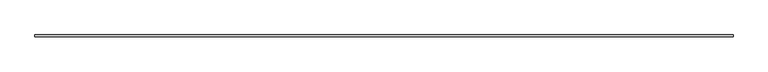
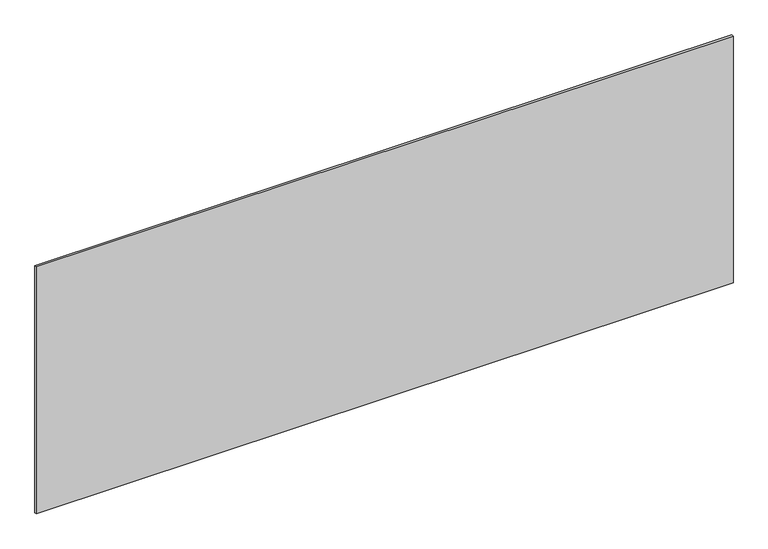
"""IFC4 building model written with IfcOpenShell, lengths in millimetres: plate geometry."""

import ifcopenshell
import ifcopenshell.guid

model = None  # the IFC model being written
_history = None  # IfcOwnerHistory: only IFC2X3 demands one
_inside = {}  # id of a spatial element -> (the spatial element, [elements in it])
_under = {}  # id of a project, library or spatial element -> (it, [spatial elements below it])
_declared = {}  # id of a project -> (the project, [libraries it declares])
_typed = {}  # id of a type object -> (the type object, [elements of that type])
_made_of = {}  # id of a material, layer set ... -> (it, [elements and type objects made of it])


def new_model(schema):
    """Start an empty IFC model of exactly this schema.

    Asked for "IFC4X3", IfcOpenShell would pick the latest addendum, in which some entities
    have other attributes; the version numbers below select the first issue.
    IFC2X3 requires an IfcOwnerHistory on every rooted entity: one is made here for all.
    """
    global model, _history
    if schema == "IFC4X3":
        model = ifcopenshell.file(schema_version=(4, 3, 0, 0))
    else:
        model = ifcopenshell.file(schema=schema)
    _inside.clear()
    _under.clear()
    _declared.clear()
    _typed.clear()
    _made_of.clear()
    _history = None
    if model.schema == "IFC2X3":
        org = make("IfcOrganization", Name="unknown")
        user = make(
            "IfcPersonAndOrganization",
            ThePerson=make("IfcPerson", FamilyName="unknown"),
            TheOrganization=org,
        )
        app = make(
            "IfcApplication",
            ApplicationDeveloper=org,
            Version="unknown",
            ApplicationFullName="unknown",
            ApplicationIdentifier="unknown",
        )
        _history = make(
            "IfcOwnerHistory",
            OwningUser=user,
            OwningApplication=app,
            ChangeAction="ADDED",
            CreationDate=0,
        )
    return model


def make(cls, **values):
    """One entity of the class cls with the attributes given. An attribute that is None is left unset."""
    return model.create_entity(
        cls, **{name: value for name, value in values.items() if value is not None}
    )


def rooted(cls, **values):
    """An entity with a GlobalId (a new one), such as an element, a storey or a relation."""
    return make(cls, GlobalId=ifcopenshell.guid.new(), OwnerHistory=_history, **values)


def si_unit(unit_type, name, prefix=None):
    """IfcSIUnit, for example si_unit("LENGTHUNIT", "METRE", prefix="MILLI")."""
    return make("IfcSIUnit", UnitType=unit_type, Prefix=prefix, Name=name)


def assignment(units):
    """IfcUnitAssignment: the units of a project."""
    return None if units is None else make("IfcUnitAssignment", Units=units)


def point(xyz):
    """IfcCartesianPoint."""
    return None if xyz is None else make("IfcCartesianPoint", Coordinates=xyz)


def direction(xyz):
    """IfcDirection."""
    return None if xyz is None else make("IfcDirection", DirectionRatios=xyz)


def frame(location, z_axis=None, x_axis=None):
    """IfcAxis2Placement3D, a coordinate frame: its origin and axes. An axis left out is left unset."""
    return make(
        "IfcAxis2Placement3D",
        Location=point(location),
        Axis=direction(z_axis),
        RefDirection=direction(x_axis),
    )


def origin():
    """The frame at (0, 0, 0) with its axes left unset."""
    return frame((0.0, 0.0, 0.0))


def origin_with_axes():
    """The frame at (0, 0, 0) with the z axis (0, 0, 1) and the x axis (1, 0, 0) written out."""
    return frame((0.0, 0.0, 0.0), z_axis=(0.0, 0.0, 1.0), x_axis=(1.0, 0.0, 0.0))


def place(relative_to, where):
    """IfcLocalPlacement: puts the frame where relative to a parent placement (None: the world)."""
    return make(
        "IfcLocalPlacement", PlacementRelTo=relative_to, RelativePlacement=where
    )


def context(
    kind, dimensions, precision=None, world=None, true_north=None, identifier=None
):
    """IfcGeometricRepresentationContext, for example the 3D "Model" context."""
    return make(
        "IfcGeometricRepresentationContext",
        ContextIdentifier=identifier,
        ContextType=kind,
        CoordinateSpaceDimension=dimensions,
        Precision=precision,
        WorldCoordinateSystem=world,
        TrueNorth=true_north,
    )


def project(units=None, contexts=None):
    """IfcProject with its units and contexts."""
    return rooted(
        "IfcProject",
        Name="project",
        RepresentationContexts=contexts,
        UnitsInContext=assignment(units),
    )


def spatial(cls, under=None, at=None, **own):
    """A site, building, storey or space (cls), placed at a placement, below another one or the project."""
    s = rooted(cls, ObjectPlacement=at, **own)
    if under is not None:
        _under.setdefault(under.id(), (under, []))[1].append(s)
    return s


def polyline(points):
    """IfcPolyline through the points."""
    return make("IfcPolyline", Points=[point(p) for p in points])


def outline(outer, holes=None, kind="AREA"):
    """IfcArbitraryClosedProfileDef: a profile drawn as a closed curve; with holes, ...WithVoids."""
    if holes is None:
        return make("IfcArbitraryClosedProfileDef", ProfileType=kind, OuterCurve=outer)
    return make(
        "IfcArbitraryProfileDefWithVoids",
        ProfileType=kind,
        OuterCurve=outer,
        InnerCurves=holes,
    )


def extrude(swept, where, along, depth):
    """IfcExtrudedAreaSolid: the profile swept, set in the frame where, extruded along a direction by depth."""
    return make(
        "IfcExtrudedAreaSolid",
        SweptArea=swept,
        Position=where,
        ExtrudedDirection=direction(along),
        Depth=depth,
    )


def shape(context_of_items, identifier, shape_type, items):
    """IfcShapeRepresentation: the items that make up one representation, for example the "Body"."""
    return make(
        "IfcShapeRepresentation",
        ContextOfItems=context_of_items,
        RepresentationIdentifier=identifier,
        RepresentationType=shape_type,
        Items=items,
    )


def source(mapping_origin, context_of_items, identifier, shape_type, items):
    """IfcRepresentationMap: a shape defined once, which mapped items show again and again."""
    return make(
        "IfcRepresentationMap",
        MappingOrigin=mapping_origin,
        MappedRepresentation=shape(context_of_items, identifier, shape_type, items),
    )


def transform(
    local_origin,
    x_axis=None,
    y_axis=None,
    z_axis=None,
    scale=None,
    scale2=None,
    scale3=None,
    uniform=True,
):
    """IfcCartesianTransformationOperator3D, or its non-uniform kind. x_axis, y_axis, z_axis: its Axis1, 2, 3."""
    if uniform:
        return make(
            "IfcCartesianTransformationOperator3D",
            Axis1=direction(x_axis),
            Axis2=direction(y_axis),
            LocalOrigin=point(local_origin),
            Scale=scale,
            Axis3=direction(z_axis),
        )
    return make(
        "IfcCartesianTransformationOperator3DnonUniform",
        Axis1=direction(x_axis),
        Axis2=direction(y_axis),
        LocalOrigin=point(local_origin),
        Scale=scale,
        Axis3=direction(z_axis),
        Scale2=scale2,
        Scale3=scale3,
    )


def mapped(mapping_source, mapping_target):
    """IfcMappedItem: shows the shape of a source again, moved by a transform."""
    return make(
        "IfcMappedItem", MappingSource=mapping_source, MappingTarget=mapping_target
    )


def made_of(thing, what):
    """Note that an element or type object is made of a material, layer set ...; save() writes the relation."""
    if what is not None:
        _made_of.setdefault(what.id(), (what, []))[1].append(thing)
    return thing


def element(
    cls,
    number,
    at=None,
    inside=None,
    cuts=None,
    type_object=None,
    material=None,
    context=None,
    identifier="Body",
    shape_type=None,
    held_by="IfcProductDefinitionShape",
    body=None,
    shapes=None,
    **own,
):
    """One element of the class cls, such as IfcWall. Its Tag is "e" and its number.

    at: its placement. inside: the storey or other place that contains it. cuts: it is an
    opening in that element (IfcRelVoidsElement). A single representation is given by context,
    identifier, shape_type and body (its items); several are given by shapes. held_by: the class
    of the entity that holds the representations. save() writes the other relations.
    """
    e = rooted(cls, Tag="e%d" % number, ObjectPlacement=at, **own)
    if body is not None:
        shapes = [shape(context, identifier, shape_type, body)]
    if shapes is not None:
        e.Representation = make(held_by, Representations=shapes)
    if inside is not None:
        _inside.setdefault(inside.id(), (inside, []))[1].append(e)
    if cuts is not None:
        rooted(
            "IfcRelVoidsElement", RelatingBuildingElement=cuts, RelatedOpeningElement=e
        )
    if type_object is not None:
        _typed.setdefault(type_object.id(), (type_object, []))[1].append(e)
    return made_of(e, material)


def aggregate(whole, parts):
    """IfcRelAggregates: a whole, such as a stair, and the parts it consists of."""
    return rooted("IfcRelAggregates", RelatingObject=whole, RelatedObjects=parts)


def save(model, path):
    """Write the relations noted so far, then the file.

    IfcRelAggregates (storeys below a building ...), IfcRelContainedInSpatialStructure (elements
    in a storey), IfcRelDefinesByType, IfcRelAssociatesMaterial and IfcRelDeclares: one each for
    every whole, place, type object, material and project.
    """
    for whole, parts in _under.values():
        aggregate(whole, parts)
    for where, things in _inside.values():
        rooted(
            "IfcRelContainedInSpatialStructure",
            RelatedElements=things,
            RelatingStructure=where,
        )
    for kind, things in _typed.values():
        rooted("IfcRelDefinesByType", RelatedObjects=things, RelatingType=kind)
    for what, things in _made_of.values():
        rooted("IfcRelAssociatesMaterial", RelatedObjects=things, RelatingMaterial=what)
    for by, libraries in _declared.values():
        rooted("IfcRelDeclares", RelatingContext=by, RelatedDefinitions=libraries)
    model.write(path)


def plate_f11d1d75(model_context):
    return source(origin(), model_context, "Body", "SweptSolid", [
        extrude(outline(polyline([(1697.5, -5.0), (-1697.5, -5.0), (-1697.5, 5.0), (1697.5, 5.0), (1697.5, -5.0)])), origin_with_axes(), (0.0, 0.0, 1.0), 1271.3360336),
    ])


if __name__ == "__main__":
    model = new_model("IFC4")
    model_context = context("Model", 3, world=origin())
    ifc_project = project(units=[si_unit("LENGTHUNIT", "METRE", prefix="MILLI")], contexts=[model_context])
    site = spatial("IfcSite", under=ifc_project)
    building = spatial("IfcBuilding", under=site)
    placement = place(None, origin())
    plate_shape = plate_f11d1d75(model_context)
    element("IfcPlate", 1, at=placement, inside=building, context=model_context, shape_type="MappedRepresentation", body=[
        mapped(plate_shape, transform((0.0, 0.0, 0.0), x_axis=(1.0, 0.0, 0.0), y_axis=(0.0, 1.0, 0.0), z_axis=(0.0, 0.0, 1.0))),
    ])
    save(model, "model.ifc")
